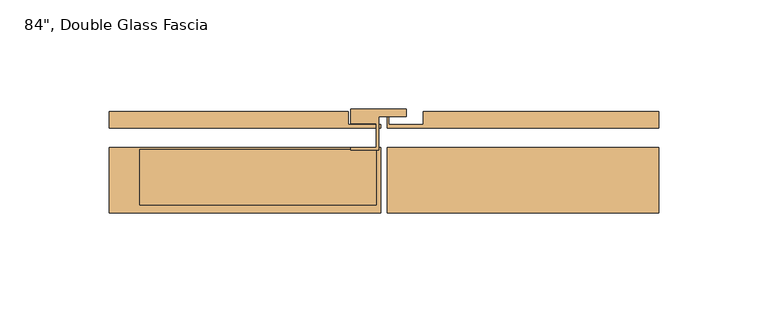
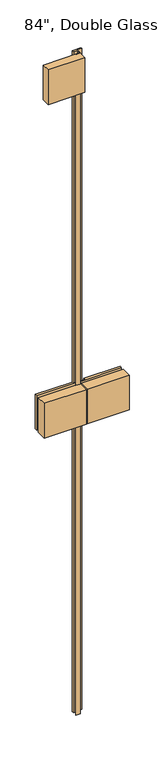
"""IFC4 building model written with IfcOpenShell, lengths in millimetres: door geometry."""

from ifc_helpers import new_model, si_unit, frame, origin, place, context, project, spatial, polyline, outline, extrude, faceted_brep, source, transform, mapped, element, save


def door_bd91c697(model_context):
    return source(origin(), model_context, "Body", "SolidModel", [
        extrude(outline(polyline([(-124.3748055, -2.6150545), (-124.3748055, 5.0049455), (-15.24, 5.0049455), (-15.24, -1.0339045), (-0.4668, -1.0339045), (-0.4668, -2.6150545), (-124.3748055, -2.6150545)])), frame((0.0, 0.0, 933.8368945), z_axis=(0.0, 0.0, 1.0), x_axis=(1.0, 0.0, 0.0)), (0.0, 0.0, 1.0), 108.090611),
        extrude(outline(polyline([(2.54, -2.6150545), (2.54, 5.0049455), (3.1496, 5.0049455), (3.1496, -1.0148545), (19.0246, -1.0148545), (19.0246, 5.0049455), (126.4480055, 5.0049455), (126.4480055, -2.6150545), (2.54, -2.6150545)])), frame((0.0, 0.0, 933.8368945), z_axis=(0.0, 0.0, 1.0), x_axis=(1.0, 0.0, 0.0)), (0.0, 0.0, 1.0), 108.090611),
        faceted_brep([(-1.27, -12.8990453, 2075.815), (-1.27, 2.3409547, 2075.815), (11.3053693, 2.3409547, 2075.815), (11.3053693, 5.7699547, 2075.815), (-14.0946307, 5.7699547, 2075.815), (-14.0946307, -0.8340453, 2075.815), (-2.54, -0.8340453, 2075.815), (-2.54, -11.6320545, 2075.815), (-14.0946307, -11.6320545, 2075.815), (-14.0946307, -12.8990453, 2075.815), (-1.27, -12.8990453, 12.7), (-14.0946307, -12.8990453, 12.7), (-14.0946307, -11.6320545, 12.7), (-2.54, -11.6320545, 12.7), (-2.54, -0.8340453, 12.7), (-14.0946307, -0.8340453, 12.7), (-14.0946307, 5.7699547, 12.7), (11.3053693, 5.7699547, 12.7), (11.3053693, 2.3409547, 12.7), (-1.27, 2.3409547, 12.7), (-14.0946307, -12.8990453, 1041.9275055), (-1.27, -12.8990453, 1041.9275055), (-1.27, -12.8990453, 933.8368945), (-14.0946307, -12.8990453, 933.8368945), (-14.0946307, -11.6320545, 933.8368945), (-14.0946307, -11.6320545, 1041.9275055), (-124.3748055, -11.6320545, 933.8368945), (-124.3748055, -11.6320545, 1041.9275055), (-0.4668, -11.6320545, 933.8368945), (-1.27, -11.6320545, 933.8368945), (-1.27, -11.6320545, 1041.9275055), (-0.4668, -11.6320545, 1041.9275055), (-124.3748055, -41.4770545, 1041.9275055), (-124.3748055, -41.4770545, 933.8368945), (-0.4668, -41.4770545, 933.8368945), (-0.4668, -41.4770545, 1041.9275055)], [[[0, 1, 2, 3, 4, 5, 6, 7, 8, 9]], [[10, 11, 12, 13, 14, 15, 16, 17, 18, 19]], [[9, 20, 21, 0]], [[10, 22, 23, 11]], [[11, 23, 24, 12]], [[8, 25, 20, 9]], [[7, 13, 12, 24, 26, 27, 25, 8]], [[28, 29, 30, 31]], [[6, 14, 13, 7]], [[5, 15, 14, 6]], [[4, 16, 15, 5]], [[3, 17, 16, 4]], [[2, 18, 17, 3]], [[1, 19, 18, 2]], [[0, 21, 30, 29, 22, 10, 19, 1]], [[32, 33, 34, 35]], [[26, 33, 32, 27]], [[33, 26, 24, 23, 22, 29, 28, 34]], [[31, 35, 34, 28]], [[35, 31, 30, 21, 20, 25, 27, 32]]]),
        faceted_brep([(2.54, -11.6320545, 1041.9275055), (126.4480055, -11.6320545, 1041.9275055), (126.4480055, -11.6320545, 933.8368945), (2.54, -11.6320545, 933.8368945), (2.54, -41.4770545, 1041.9275055), (2.54, -41.4770545, 933.8368945), (126.4480055, -41.4770545, 933.8368945), (126.4480055, -41.4770545, 1041.9275055)], [[[0, 1, 2, 3]], [[4, 5, 6, 7]], [[3, 5, 4, 0]], [[2, 6, 5, 3]], [[1, 7, 6, 2]], [[0, 4, 7, 1]]]),
        extrude(outline(polyline([(-2.54, -12.6361483), (-2.54, -38.0361483), (-110.49, -38.0361483), (-110.49, -12.6361483), (-2.54, -12.6361483)])), frame((0.0, 0.0, 1967.865), z_axis=(0.0, 0.0, 1.0), x_axis=(1.0, 0.0, 0.0)), (0.0, 0.0, 1.0), 107.95),
    ])


if __name__ == "__main__":
    model = new_model("IFC4")
    model_context = context("Model", 3, world=origin())
    ifc_project = project(units=[si_unit("LENGTHUNIT", "METRE", prefix="MILLI")], contexts=[model_context])
    site = spatial("IfcSite", under=ifc_project)
    building = spatial("IfcBuilding", under=site)
    placement = place(None, origin())
    door_shape = door_bd91c697(model_context)
    element("IfcDoor", 1, ObjectType="84\", Double Glass Fascia", at=placement, inside=building, context=model_context, shape_type="MappedRepresentation", body=[
        mapped(door_shape, transform((0.0, 0.0, 0.0), x_axis=(1.0, 0.0, 0.0), y_axis=(0.0, 1.0, 0.0), z_axis=(0.0, 0.0, 1.0))),
    ])
    save(model, "model.ifc")
